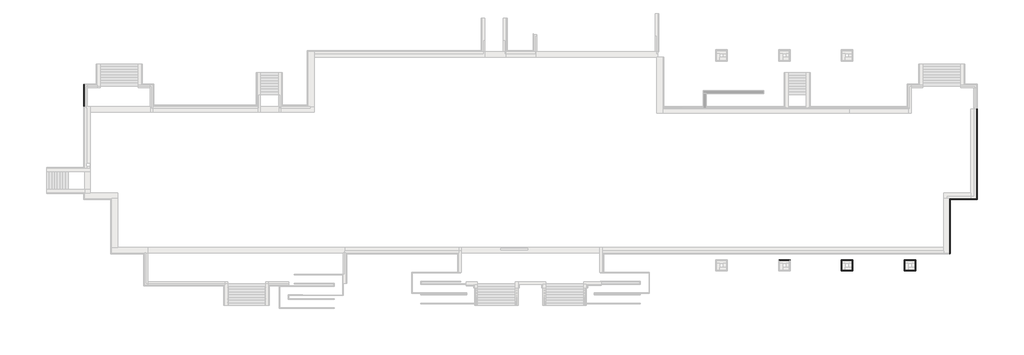
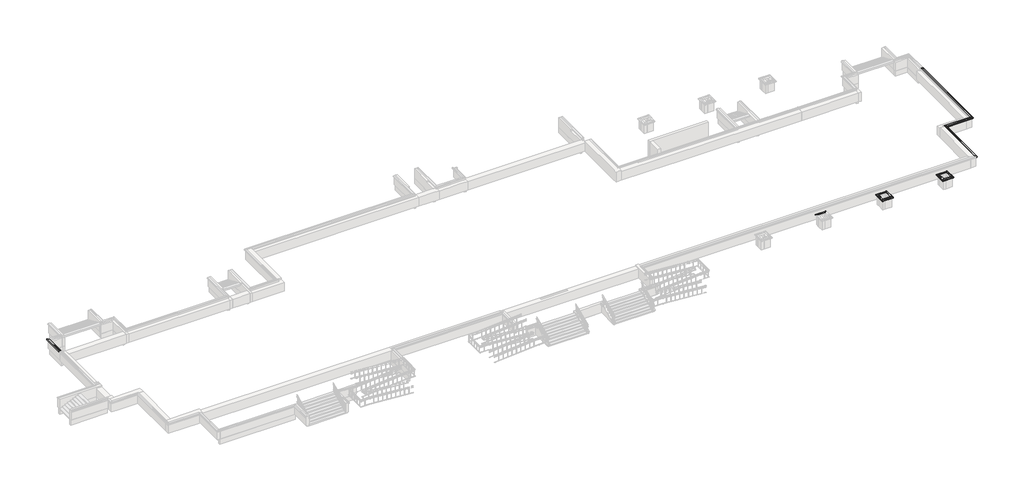
# One storey, part 7 of 10: 13 proxies.
"""IFC4 building model written with IfcOpenShell, lengths in millimetres."""

from ifc_helpers import new_model, si_unit, frame, origin, place, context, project, spatial, polyline, circle_curve, ellipse_curve, element, save
from ifc_brep_helpers import plane_surface, revolved_surface, advanced_brep

model = new_model("IFC4")

# Units and contexts
model_context = context("Model", 3, world=origin())
ifc_project = project(units=[si_unit("LENGTHUNIT", "METRE", prefix="MILLI")], contexts=[model_context])

# Site, building, storey
site = spatial("IfcSite", under=ifc_project)
building = spatial("IfcBuilding", under=site)
storey = spatial("IfcBuildingStorey", under=building, Elevation=-1200.0)

# Proxies
placement = place(None, origin())
element("IfcBuildingElementProxy", 1, Name="Wall Sweeps", at=placement, inside=storey, context=model_context, shape_type="AdvancedBrep", body=[
    advanced_brep(
    [(49935.0112841, 698.1079487, -15.0), (49935.0112841, 698.1079487, -85.0), (49870.0112841, 698.1079487, -150.0), (49820.0112841, 698.1079487, -150.0), (49820.0112841, 698.1079487, 0.0), (49720.0112841, 698.1079487, 0.0), (49720.0112841, 698.1079487, 30.51349), (49870.0112841, 698.1079487, 30.51349), (49935.0112841, -9231.8920513, -15.0), (49870.0112841, -9166.8920513, 30.51349), (49720.0112841, -9016.8920513, 30.51349), (49720.0112841, -9016.8920513, 0.0), (49820.0112841, -9116.8920513, 0.0), (49820.0112841, -9116.8920513, -150.0), (49870.0112841, -9166.8920513, -150.0), (49935.0112841, -9231.8920513, -85.0), (49720.0112841, 318.1079487, 0.0)],
    [
        (0, 1),
        (1, 2, circle_curve(frame((49935.0112841, 698.1079487, -150.0), z_axis=(0.0, -1.0, 0.0), x_axis=(1.0, 0.0, 0.0)), 65.0)),
        (2, 3),
        (3, 4),
        (4, 5),
        (5, 6),
        (6, 7),
        (7, 0),
        (8, 9),
        (9, 10),
        (10, 11),
        (11, 12),
        (12, 13),
        (13, 14),
        (14, 15, ellipse_curve(frame((49935.0112841, -9231.8920513, -150.0), z_axis=(0.707106781186544, 0.7071067811865511, 0.0), x_axis=(0.7071067811865512, -0.7071067811865439, 0.0)), 91.9238816, 65.0)),
        (15, 8),
        (0, 8),
        (15, 1),
        (14, 2),
        (13, 3),
        (12, 4),
        (11, 16),
        (16, 5),
        (10, 6),
        (9, 7),
    ],
    [
        plane_surface(frame((49661.8974011, 698.1079487, 0.0), z_axis=(0.0, 1.0, 0.0), x_axis=(0.0, 0.0, -1.0))),
        plane_surface(frame((49820.0112841, -9116.8920513, 304.8), z_axis=(-0.707106781186544, -0.7071067811865511, 0.0), x_axis=(-0.7071067811865511, 0.707106781186544, 0.0))),
        plane_surface(frame((49935.0112841, 698.1079487, -15.0), z_axis=(1.0, 0.0, 0.0), x_axis=(0.0, -1.0, 0.0))),
        revolved_surface(polyline([(50000.0112841, -9296.892051332348, -150.0), (50000.0112841, 698.1079487, -150.0)]), (49935.0112841, 698.1079487, -150.0), (0.0, -1.0, 0.0)),
        plane_surface(frame((49870.0112841, 698.1079487, -150.0), z_axis=(0.0, 0.0, -1.0), x_axis=(0.0, -1.0, 0.0))),
        plane_surface(frame((49820.0112841, 698.1079487, -150.0), z_axis=(-1.0, 0.0, 0.0), x_axis=(0.0, -1.0, 0.0))),
        plane_surface(frame((49820.0112841, 698.1079487, 0.0), z_axis=(0.0, 0.0, -1.0), x_axis=(0.0, -1.0, 0.0))),
        plane_surface(frame((49720.0112841, 698.1079487, 0.0), z_axis=(-1.0, 0.0, 0.0), x_axis=(0.0, -1.0, 0.0))),
        plane_surface(frame((49720.0112841, 698.1079487, 30.51349), z_axis=(0.0, 0.0, 1.0), x_axis=(0.0, -1.0, 0.0))),
        plane_surface(frame((49870.0112841, 698.1079487, 30.51349), z_axis=(0.5735764363510482, 0.0, 0.8191520442889904), x_axis=(0.0, -1.0, 0.0))),
    ],
    [
        (0, [[1, 2, 3, 4, 5, 6, 7, 8]]),
        (1, [[9, 10, 11, 12, 13, 14, 15, 16]]),
        (2, [[-1, 17, -16, 18]]),
        (3, [[-2, -18, -15, 19]]),
        (4, [[-3, -19, -14, 20]]),
        (5, [[-4, -20, -13, 21]]),
        (6, [[-5, -21, -12, 22, 23]]),
        (7, [[-6, -23, -22, -11, 24]]),
        (8, [[-7, -24, -10, 25]]),
        (9, [[-8, -25, -9, -17]]),
    ],
),
])
element("IfcBuildingElementProxy", 2, Name="Wall Sweeps", at=placement, inside=storey, context=model_context, shape_type="AdvancedBrep", body=[
    advanced_brep(
    [(49935.0112841, -9231.8920513, -15.0), (49935.0112841, -9231.8920513, -85.0), (49870.0112841, -9166.8920513, -150.0), (49820.0112841, -9116.8920513, -150.0), (49820.0112841, -9116.8920513, 0.0), (49720.0112841, -9016.8920513, 0.0), (49720.0112841, -9016.8920513, 30.51349), (49870.0112841, -9166.8920513, 30.51349), (46935.0112841, -9231.8920513, -15.0), (46870.0112841, -9166.8920513, 30.51349), (46720.0112841, -9016.8920513, 30.51349), (46720.0112841, -9016.8920513, 0.0), (46820.0112841, -9116.8920513, 0.0), (46820.0112841, -9116.8920513, -150.0), (46870.0112841, -9166.8920513, -150.0), (46935.0112841, -9231.8920513, -85.0), (49210.0112841, -9116.8920513, 0.0), (49210.0112841, -9016.8920513, 0.0)],
    [
        (0, 1),
        (1, 2, ellipse_curve(frame((49935.0112841, -9231.8920513, -150.0), z_axis=(-0.707106781186544, -0.7071067811865511, 0.0), x_axis=(-0.707106781186551, 0.707106781186544, 0.0)), 91.9238816, 65.0)),
        (2, 3),
        (3, 4),
        (4, 5),
        (5, 6),
        (6, 7),
        (7, 0),
        (8, 9),
        (9, 10),
        (10, 11),
        (11, 12),
        (12, 13),
        (13, 14),
        (14, 15, ellipse_curve(frame((46935.0112841, -9231.8920513, -150.0), z_axis=(0.707106781186544, 0.7071067811865511, 0.0), x_axis=(-0.707106781186551, 0.707106781186544, 0.0)), 91.9238816, 65.0)),
        (15, 8),
        (0, 8),
        (15, 1),
        (14, 2),
        (13, 3),
        (12, 16),
        (16, 4),
        (11, 17),
        (17, 5),
        (10, 6),
        (9, 7),
    ],
    [
        plane_surface(frame((49820.0112841, -9116.8920513, 304.8), z_axis=(0.707106781186544, 0.7071067811865511, 0.0), x_axis=(-0.7071067811865511, 0.707106781186544, 0.0))),
        plane_surface(frame((46820.0112841, -9116.8920513, -304.8), z_axis=(-0.707106781186544, -0.7071067811865511, 0.0), x_axis=(0.7071067811865511, -0.707106781186544, 0.0))),
        plane_surface(frame((49935.0112841, -9231.8920513, -15.0), z_axis=(0.0, -1.0, 0.0), x_axis=(-1.0, 0.0, 0.0))),
        revolved_surface(polyline([(46870.01128406765, -9296.8920513, -150.0), (50000.01128413235, -9296.8920513, -150.0)]), (49820.0112841, -9231.8920513, -150.0), (-1.0, 0.0, 0.0)),
        plane_surface(frame((49870.0112841, -9166.8920513, -150.0), z_axis=(0.0, 0.0, -1.0), x_axis=(-1.0, 0.0, 0.0))),
        plane_surface(frame((49820.0112841, -9116.8920513, -150.0), z_axis=(0.0, 1.0, 0.0), x_axis=(-1.0, 0.0, 0.0))),
        plane_surface(frame((49820.0112841, -9116.8920513, 0.0), z_axis=(0.0, 0.0, -1.0), x_axis=(-1.0, 0.0, 0.0))),
        plane_surface(frame((49720.0112841, -9016.8920513, 0.0), z_axis=(0.0, 1.0, 0.0), x_axis=(-1.0, 0.0, 0.0))),
        plane_surface(frame((49720.0112841, -9016.8920513, 30.51349), z_axis=(0.0, 0.0, 1.0), x_axis=(-1.0, 0.0, 0.0))),
        plane_surface(frame((49870.0112841, -9166.8920513, 30.51349), z_axis=(0.0, -0.5735764363510482, 0.8191520442889904), x_axis=(-1.0, 0.0, 0.0))),
    ],
    [
        (0, [[1, 2, 3, 4, 5, 6, 7, 8]]),
        (1, [[9, 10, 11, 12, 13, 14, 15, 16]]),
        (2, [[-1, 17, -16, 18]]),
        (3, [[-2, -18, -15, 19]]),
        (4, [[-3, -19, -14, 20]]),
        (5, [[-4, -20, -13, 21, 22]]),
        (6, [[-5, -22, -21, -12, 23, 24]]),
        (7, [[-6, -24, -23, -11, 25]]),
        (8, [[-7, -25, -10, 26]]),
        (9, [[-8, -26, -9, -17]]),
    ],
),
])
element("IfcBuildingElementProxy", 3, Name="Wall Sweeps", at=placement, inside=storey, context=model_context, shape_type="AdvancedBrep", body=[
    advanced_brep(
    [(46935.0112841, -9231.8920513, -15.0), (46935.0112841, -9231.8920513, -85.0), (46870.0112841, -9166.8920513, -150.0), (46820.0112841, -9116.8920513, -150.0), (46820.0112841, -9116.8920513, 0.0), (46720.0112841, -9016.8920513, 0.0), (46720.0112841, -9016.8920513, 30.51349), (46870.0112841, -9166.8920513, 30.51349), (46935.0112841, -15231.8920513, -15.0), (46870.0112841, -15166.8920513, 30.51349), (46720.0112841, -15016.8920513, 30.51349), (46720.0112841, -15016.8920513, 0.0), (46820.0112841, -15116.8920513, 0.0), (46820.0112841, -15116.8920513, -150.0), (46870.0112841, -15166.8920513, -150.0), (46935.0112841, -15231.8920513, -85.0)],
    [
        (0, 1),
        (1, 2, ellipse_curve(frame((46935.0112841, -9231.8920513, -150.0), z_axis=(-0.707106781186544, -0.7071067811865511, 0.0), x_axis=(0.7071067811865512, -0.7071067811865438, 0.0)), 91.9238816, 65.0)),
        (2, 3),
        (3, 4),
        (4, 5),
        (5, 6),
        (6, 7),
        (7, 0),
        (8, 9),
        (9, 10),
        (10, 11),
        (11, 12),
        (12, 13),
        (13, 14),
        (14, 15, ellipse_curve(frame((46935.0112841, -15231.8920513, -150.0), z_axis=(0.707106781186544, 0.7071067811865511, 0.0), x_axis=(0.7071067811865512, -0.7071067811865438, 0.0)), 91.9238816, 65.0)),
        (15, 8),
        (0, 8),
        (15, 1),
        (14, 2),
        (13, 3),
        (12, 4),
        (11, 5),
        (10, 6),
        (9, 7),
    ],
    [
        plane_surface(frame((46820.0112841, -9116.8920513, -304.8), z_axis=(0.707106781186544, 0.7071067811865511, 0.0), x_axis=(0.7071067811865511, -0.707106781186544, 0.0))),
        plane_surface(frame((46820.0112841, -15116.8920513, 304.8), z_axis=(-0.707106781186544, -0.7071067811865511, 0.0), x_axis=(-0.7071067811865511, 0.707106781186544, 0.0))),
        plane_surface(frame((46935.0112841, -9231.8920513, -15.0), z_axis=(1.0, 0.0, 0.0), x_axis=(0.0, -1.0, 0.0))),
        revolved_surface(polyline([(47000.0112841, -15296.892051332348, -150.0), (47000.0112841, -9166.89205126765, -150.0)]), (46935.0112841, -9116.8920513, -150.0), (0.0, -1.0, 0.0)),
        plane_surface(frame((46870.0112841, -9166.8920513, -150.0), z_axis=(0.0, 0.0, -1.0), x_axis=(0.0, -1.0, 0.0))),
        plane_surface(frame((46820.0112841, -9116.8920513, -150.0), z_axis=(-1.0, 0.0, 0.0), x_axis=(0.0, -1.0, 0.0))),
        plane_surface(frame((46820.0112841, -9116.8920513, 0.0), z_axis=(0.0, 0.0, -1.0), x_axis=(0.0, -1.0, 0.0))),
        plane_surface(frame((46720.0112841, -9016.8920513, 0.0), z_axis=(-1.0, 0.0, 0.0), x_axis=(0.0, -1.0, 0.0))),
        plane_surface(frame((46720.0112841, -9016.8920513, 30.51349), z_axis=(0.0, 0.0, 1.0), x_axis=(0.0, -1.0, 0.0))),
        plane_surface(frame((46870.0112841, -9166.8920513, 30.51349), z_axis=(0.5735764363510482, 0.0, 0.8191520442889904), x_axis=(0.0, -1.0, 0.0))),
    ],
    [
        (0, [[1, 2, 3, 4, 5, 6, 7, 8]]),
        (1, [[9, 10, 11, 12, 13, 14, 15, 16]]),
        (2, [[-1, 17, -16, 18]]),
        (3, [[-2, -18, -15, 19]]),
        (4, [[-3, -19, -14, 20]]),
        (5, [[-4, -20, -13, 21]]),
        (6, [[-5, -21, -12, 22]]),
        (7, [[-6, -22, -11, 23]]),
        (8, [[-7, -23, -10, 24]]),
        (9, [[-8, -24, -9, -17]]),
    ],
),
])
element("IfcBuildingElementProxy", 4, Name="Wall Sweeps", at=placement, inside=storey, context=model_context, shape_type="AdvancedBrep", body=[
    advanced_brep(
    [(28085.0112841, -15881.8920513, -15.0), (28085.0112841, -15881.8920513, -85.0), (28150.0112841, -15946.8920513, -150.0), (28200.0112841, -15996.8920513, -150.0), (28200.0112841, -15996.8920513, 0.0), (28300.0112841, -16096.8920513, 0.0), (28300.0112841, -16096.8920513, 30.51349), (28150.0112841, -15946.8920513, 30.51349), (29335.0112841, -15881.8920513, -15.0), (29270.0112841, -15946.8920513, 30.51349), (29120.0112841, -16096.8920513, 30.51349), (29120.0112841, -16096.8920513, 0.0), (29220.0112841, -15996.8920513, 0.0), (29220.0112841, -15996.8920513, -150.0), (29270.0112841, -15946.8920513, -150.0), (29335.0112841, -15881.8920513, -85.0)],
    [
        (0, 1),
        (1, 2, ellipse_curve(frame((28085.0112841, -15881.8920513, -150.0), z_axis=(0.707106781186544, 0.7071067811865511, 0.0), x_axis=(0.707106781186551, -0.7071067811865439, 0.0)), 91.9238816, 65.0)),
        (2, 3),
        (3, 4),
        (4, 5),
        (5, 6),
        (6, 7),
        (7, 0),
        (8, 9),
        (9, 10),
        (10, 11),
        (11, 12),
        (12, 13),
        (13, 14),
        (14, 15, ellipse_curve(frame((29335.0112841, -15881.8920513, -150.0), z_axis=(-0.707106781186544, 0.7071067811865511, 0.0), x_axis=(0.7071067811865509, 0.707106781186544, 0.0)), 91.9238816, 65.0)),
        (15, 8),
        (0, 8),
        (15, 1),
        (14, 2),
        (13, 3),
        (12, 4),
        (11, 5),
        (10, 6),
        (9, 7),
    ],
    [
        plane_surface(frame((28200.0112841, -15996.8920513, 304.8), z_axis=(-0.707106781186544, -0.7071067811865511, 0.0), x_axis=(0.7071067811865511, -0.707106781186544, 0.0))),
        plane_surface(frame((29220.0112841, -15996.8920513, 304.8), z_axis=(0.707106781186544, -0.7071067811865511, 0.0), x_axis=(-0.7071067811865511, -0.707106781186544, 0.0))),
        plane_surface(frame((28085.0112841, -15881.8920513, -15.0), z_axis=(0.0, 1.0, 0.0), x_axis=(1.0, 0.0, 0.0))),
        revolved_surface(polyline([(29400.01128413235, -15816.8920513, -150.0), (28020.011284067652, -15816.8920513, -150.0)]), (28200.0112841, -15881.8920513, -150.0), (1.0, 0.0, 0.0)),
        plane_surface(frame((28150.0112841, -15946.8920513, -150.0), z_axis=(0.0, 0.0, -1.0), x_axis=(1.0, 0.0, 0.0))),
        plane_surface(frame((28200.0112841, -15996.8920513, -150.0), z_axis=(0.0, -1.0, 0.0), x_axis=(1.0, 0.0, 0.0))),
        plane_surface(frame((28200.0112841, -15996.8920513, 0.0), z_axis=(0.0, 0.0, -1.0), x_axis=(1.0, 0.0, 0.0))),
        plane_surface(frame((28300.0112841, -16096.8920513, 0.0), z_axis=(0.0, -1.0, 0.0), x_axis=(1.0, 0.0, 0.0))),
        plane_surface(frame((28300.0112841, -16096.8920513, 30.51349), z_axis=(0.0, 0.0, 1.0), x_axis=(1.0, 0.0, 0.0))),
        plane_surface(frame((28150.0112841, -15946.8920513, 30.51349), z_axis=(0.0, 0.5735764363510482, 0.8191520442889904), x_axis=(1.0, 0.0, 0.0))),
    ],
    [
        (0, [[1, 2, 3, 4, 5, 6, 7, 8]]),
        (1, [[9, 10, 11, 12, 13, 14, 15, 16]]),
        (2, [[-1, 17, -16, 18]]),
        (3, [[-2, -18, -15, 19]]),
        (4, [[-3, -19, -14, 20]]),
        (5, [[-4, -20, -13, 21]]),
        (6, [[-5, -21, -12, 22]]),
        (7, [[-6, -22, -11, 23]]),
        (8, [[-7, -23, -10, 24]]),
        (9, [[-8, -24, -9, -17]]),
    ],
),
])
element("IfcBuildingElementProxy", 5, Name="Wall Sweeps", at=placement, inside=storey, context=model_context, shape_type="AdvancedBrep", body=[
    advanced_brep(
    [(34985.0112841, -15881.8920513, -15.0), (34985.0112841, -15881.8920513, -85.0), (35050.0112841, -15946.8920513, -150.0), (35100.0112841, -15996.8920513, -150.0), (35100.0112841, -15996.8920513, 0.0), (35200.0112841, -16096.8920513, 0.0), (35200.0112841, -16096.8920513, 30.51349), (35050.0112841, -15946.8920513, 30.51349), (36235.0112841, -15881.8920513, -15.0), (36170.0112841, -15946.8920513, 30.51349), (36020.0112841, -16096.8920513, 30.51349), (36020.0112841, -16096.8920513, 0.0), (36120.0112841, -15996.8920513, 0.0), (36120.0112841, -15996.8920513, -150.0), (36170.0112841, -15946.8920513, -150.0), (36235.0112841, -15881.8920513, -85.0)],
    [
        (0, 1),
        (1, 2, ellipse_curve(frame((34985.0112841, -15881.8920513, -150.0), z_axis=(0.707106781186544, 0.7071067811865511, 0.0), x_axis=(0.707106781186551, -0.7071067811865439, 0.0)), 91.9238816, 65.0)),
        (2, 3),
        (3, 4),
        (4, 5),
        (5, 6),
        (6, 7),
        (7, 0),
        (8, 9),
        (9, 10),
        (10, 11),
        (11, 12),
        (12, 13),
        (13, 14),
        (14, 15, ellipse_curve(frame((36235.0112841, -15881.8920513, -150.0), z_axis=(-0.707106781186544, 0.7071067811865511, 0.0), x_axis=(0.7071067811865509, 0.707106781186544, 0.0)), 91.9238816, 65.0)),
        (15, 8),
        (0, 8),
        (15, 1),
        (14, 2),
        (13, 3),
        (12, 4),
        (11, 5),
        (10, 6),
        (9, 7),
    ],
    [
        plane_surface(frame((35100.0112841, -15996.8920513, 304.8), z_axis=(-0.707106781186544, -0.7071067811865511, 0.0), x_axis=(0.7071067811865511, -0.707106781186544, 0.0))),
        plane_surface(frame((36120.0112841, -15996.8920513, 304.8), z_axis=(0.707106781186544, -0.7071067811865511, 0.0), x_axis=(-0.7071067811865511, -0.707106781186544, 0.0))),
        plane_surface(frame((34985.0112841, -15881.8920513, -15.0), z_axis=(0.0, 1.0, 0.0), x_axis=(1.0, 0.0, 0.0))),
        revolved_surface(polyline([(36300.01128413235, -15816.8920513, -150.0), (34920.01128406765, -15816.8920513, -150.0)]), (35100.0112841, -15881.8920513, -150.0), (1.0, 0.0, 0.0)),
        plane_surface(frame((35050.0112841, -15946.8920513, -150.0), z_axis=(0.0, 0.0, -1.0), x_axis=(1.0, 0.0, 0.0))),
        plane_surface(frame((35100.0112841, -15996.8920513, -150.0), z_axis=(0.0, -1.0, 0.0), x_axis=(1.0, 0.0, 0.0))),
        plane_surface(frame((35100.0112841, -15996.8920513, 0.0), z_axis=(0.0, 0.0, -1.0), x_axis=(1.0, 0.0, 0.0))),
        plane_surface(frame((35200.0112841, -16096.8920513, 0.0), z_axis=(0.0, -1.0, 0.0), x_axis=(1.0, 0.0, 0.0))),
        plane_surface(frame((35200.0112841, -16096.8920513, 30.51349), z_axis=(0.0, 0.0, 1.0), x_axis=(1.0, 0.0, 0.0))),
        plane_surface(frame((35050.0112841, -15946.8920513, 30.51349), z_axis=(0.0, 0.5735764363510482, 0.8191520442889904), x_axis=(1.0, 0.0, 0.0))),
    ],
    [
        (0, [[1, 2, 3, 4, 5, 6, 7, 8]]),
        (1, [[9, 10, 11, 12, 13, 14, 15, 16]]),
        (2, [[-1, 17, -16, 18]]),
        (3, [[-2, -18, -15, 19]]),
        (4, [[-3, -19, -14, 20]]),
        (5, [[-4, -20, -13, 21]]),
        (6, [[-5, -21, -12, 22]]),
        (7, [[-6, -22, -11, 23]]),
        (8, [[-7, -23, -10, 24]]),
        (9, [[-8, -24, -9, -17]]),
    ],
),
])
element("IfcBuildingElementProxy", 6, Name="Wall Sweeps", at=placement, inside=storey, context=model_context, shape_type="AdvancedBrep", body=[
    advanced_brep(
    [(34985.0112841, -15881.8920513, -15.0), (35050.0112841, -15946.8920513, 30.51349), (35200.0112841, -16096.8920513, 30.51349), (35200.0112841, -16096.8920513, 0.0), (35100.0112841, -15996.8920513, 0.0), (35100.0112841, -15996.8920513, -150.0), (35050.0112841, -15946.8920513, -150.0), (34985.0112841, -15881.8920513, -85.0), (34985.0112841, -17131.8920513, -15.0), (34985.0112841, -17131.8920513, -85.0), (35050.0112841, -17066.8920513, -150.0), (35100.0112841, -17016.8920513, -150.0), (35100.0112841, -17016.8920513, 0.0), (35200.0112841, -16916.8920513, 0.0), (35200.0112841, -16916.8920513, 30.51349), (35050.0112841, -17066.8920513, 30.51349), (35100.0112841, -16306.8920513, 0.0)],
    [
        (0, 1),
        (1, 2),
        (2, 3),
        (3, 4),
        (4, 5),
        (5, 6),
        (6, 7, ellipse_curve(frame((34985.0112841, -15881.8920513, -150.0), z_axis=(-0.707106781186544, -0.7071067811865511, 0.0), x_axis=(0.7071067811865511, -0.7071067811865439, 0.0)), 91.9238816, 65.0)),
        (7, 0),
        (8, 9),
        (9, 10, ellipse_curve(frame((34985.0112841, -17131.8920513, -150.0), z_axis=(-0.707106781186544, 0.7071067811865511, 0.0), x_axis=(-0.7071067811865511, -0.7071067811865439, 0.0)), 91.9238816, 65.0)),
        (10, 11),
        (11, 12),
        (12, 13),
        (13, 14),
        (14, 15),
        (15, 8),
        (7, 9),
        (8, 0),
        (6, 10),
        (5, 11),
        (4, 16),
        (16, 12),
        (3, 13),
        (2, 14),
        (1, 15),
    ],
    [
        plane_surface(frame((35100.0112841, -15996.8920513, -304.8), z_axis=(0.707106781186544, 0.7071067811865511, 0.0), x_axis=(0.7071067811865511, -0.707106781186544, 0.0))),
        plane_surface(frame((35100.0112841, -17016.8920513, -304.8), z_axis=(0.707106781186544, -0.7071067811865511, 0.0), x_axis=(0.7071067811865511, 0.707106781186544, 0.0))),
        plane_surface(frame((34985.0112841, -15881.8920513, -85.0), z_axis=(-1.0, 0.0, 0.0), x_axis=(0.0, -1.0, 0.0))),
        revolved_surface(polyline([(34920.0112841, -17196.89205133235, -150.0), (34920.0112841, -15816.89205126765, -150.0)]), (34985.0112841, -15996.8920513, -150.0), (0.0, -1.0, 0.0)),
        plane_surface(frame((35100.0112841, -15996.8920513, -150.0), z_axis=(0.0, 0.0, -1.0), x_axis=(0.0, -1.0, 0.0))),
        plane_surface(frame((35100.0112841, -15996.8920513, 0.0), z_axis=(1.0, 0.0, 0.0), x_axis=(0.0, -1.0, 0.0))),
        plane_surface(frame((35200.0112841, -16096.8920513, 0.0), z_axis=(0.0, 0.0, -1.0), x_axis=(0.0, -1.0, 0.0))),
        plane_surface(frame((35200.0112841, -16096.8920513, 30.51349), z_axis=(1.0, 0.0, 0.0), x_axis=(0.0, -1.0, 0.0))),
        plane_surface(frame((35050.0112841, -15946.8920513, 30.51349), z_axis=(0.0, 0.0, 1.0), x_axis=(0.0, -1.0, 0.0))),
        plane_surface(frame((34985.0112841, -15881.8920513, -15.0), z_axis=(-0.5735764363510482, 0.0, 0.8191520442889904), x_axis=(0.0, -1.0, 0.0))),
    ],
    [
        (0, [[1, 2, 3, 4, 5, 6, 7, 8]]),
        (1, [[9, 10, 11, 12, 13, 14, 15, 16]]),
        (2, [[-8, 17, -9, 18]]),
        (3, [[-7, 19, -10, -17]]),
        (4, [[-6, 20, -11, -19]]),
        (5, [[-5, 21, 22, -12, -20]]),
        (6, [[-4, 23, -13, -22, -21]]),
        (7, [[-3, 24, -14, -23]]),
        (8, [[-2, 25, -15, -24]]),
        (9, [[-1, -18, -16, -25]]),
    ],
),
])
element("IfcBuildingElementProxy", 7, Name="Wall Sweeps", at=placement, inside=storey, context=model_context, shape_type="AdvancedBrep", body=[
    advanced_brep(
    [(36235.0112841, -17131.8920513, -15.0), (36235.0112841, -17131.8920513, -85.0), (36170.0112841, -17066.8920513, -150.0), (36120.0112841, -17016.8920513, -150.0), (36120.0112841, -17016.8920513, 0.0), (36020.0112841, -16916.8920513, 0.0), (36020.0112841, -16916.8920513, 30.51349), (36170.0112841, -17066.8920513, 30.51349), (34985.0112841, -17131.8920513, -15.0), (35050.0112841, -17066.8920513, 30.51349), (35200.0112841, -16916.8920513, 30.51349), (35200.0112841, -16916.8920513, 0.0), (35100.0112841, -17016.8920513, 0.0), (35100.0112841, -17016.8920513, -150.0), (35050.0112841, -17066.8920513, -150.0), (34985.0112841, -17131.8920513, -85.0), (35410.0112841, -17016.8920513, 0.0)],
    [
        (0, 1),
        (1, 2, ellipse_curve(frame((36235.0112841, -17131.8920513, -150.0), z_axis=(-0.707106781186544, -0.7071067811865511, 0.0), x_axis=(-0.707106781186551, 0.7071067811865439, 0.0)), 91.9238816, 65.0)),
        (2, 3),
        (3, 4),
        (4, 5),
        (5, 6),
        (6, 7),
        (7, 0),
        (8, 9),
        (9, 10),
        (10, 11),
        (11, 12),
        (12, 13),
        (13, 14),
        (14, 15, ellipse_curve(frame((34985.0112841, -17131.8920513, -150.0), z_axis=(0.707106781186544, -0.7071067811865511, 0.0), x_axis=(-0.7071067811865509, -0.707106781186544, 0.0)), 91.9238816, 65.0)),
        (15, 8),
        (0, 8),
        (15, 1),
        (14, 2),
        (13, 3),
        (12, 16),
        (16, 4),
        (11, 5),
        (10, 6),
        (9, 7),
    ],
    [
        plane_surface(frame((36120.0112841, -17016.8920513, 304.8), z_axis=(0.707106781186544, 0.7071067811865511, 0.0), x_axis=(-0.7071067811865511, 0.707106781186544, 0.0))),
        plane_surface(frame((35100.0112841, -17016.8920513, 304.8), z_axis=(-0.707106781186544, 0.7071067811865511, 0.0), x_axis=(0.7071067811865511, 0.707106781186544, 0.0))),
        plane_surface(frame((36235.0112841, -17131.8920513, -15.0), z_axis=(0.0, -1.0, 0.0), x_axis=(-1.0, 0.0, 0.0))),
        revolved_surface(polyline([(34920.01128406765, -17196.8920513, -150.0), (36300.01128413235, -17196.8920513, -150.0)]), (36120.0112841, -17131.8920513, -150.0), (-1.0, 0.0, 0.0)),
        plane_surface(frame((36170.0112841, -17066.8920513, -150.0), z_axis=(0.0, 0.0, -1.0), x_axis=(-1.0, 0.0, 0.0))),
        plane_surface(frame((36120.0112841, -17016.8920513, -150.0), z_axis=(0.0, 1.0, 0.0), x_axis=(-1.0, 0.0, 0.0))),
        plane_surface(frame((36120.0112841, -17016.8920513, 0.0), z_axis=(0.0, 0.0, -1.0), x_axis=(-1.0, 0.0, 0.0))),
        plane_surface(frame((36020.0112841, -16916.8920513, 0.0), z_axis=(0.0, 1.0, 0.0), x_axis=(-1.0, 0.0, 0.0))),
        plane_surface(frame((36020.0112841, -16916.8920513, 30.51349), z_axis=(0.0, 0.0, 1.0), x_axis=(-1.0, 0.0, 0.0))),
        plane_surface(frame((36170.0112841, -17066.8920513, 30.51349), z_axis=(0.0, -0.5735764363510482, 0.8191520442889904), x_axis=(-1.0, 0.0, 0.0))),
    ],
    [
        (0, [[1, 2, 3, 4, 5, 6, 7, 8]]),
        (1, [[9, 10, 11, 12, 13, 14, 15, 16]]),
        (2, [[-1, 17, -16, 18]]),
        (3, [[-2, -18, -15, 19]]),
        (4, [[-3, -19, -14, 20]]),
        (5, [[-4, -20, -13, 21, 22]]),
        (6, [[-5, -22, -21, -12, 23]]),
        (7, [[-6, -23, -11, 24]]),
        (8, [[-7, -24, -10, 25]]),
        (9, [[-8, -25, -9, -17]]),
    ],
),
])
element("IfcBuildingElementProxy", 8, Name="Wall Sweeps", at=placement, inside=storey, context=model_context, shape_type="AdvancedBrep", body=[
    advanced_brep(
    [(36235.0112841, -15881.8920513, -15.0), (36235.0112841, -15881.8920513, -85.0), (36170.0112841, -15946.8920513, -150.0), (36120.0112841, -15996.8920513, -150.0), (36120.0112841, -15996.8920513, 0.0), (36020.0112841, -16096.8920513, 0.0), (36020.0112841, -16096.8920513, 30.51349), (36170.0112841, -15946.8920513, 30.51349), (36235.0112841, -17131.8920513, -15.0), (36170.0112841, -17066.8920513, 30.51349), (36020.0112841, -16916.8920513, 30.51349), (36020.0112841, -16916.8920513, 0.0), (36120.0112841, -17016.8920513, 0.0), (36120.0112841, -17016.8920513, -150.0), (36170.0112841, -17066.8920513, -150.0), (36235.0112841, -17131.8920513, -85.0), (36120.0112841, -16706.8920513, 0.0), (36120.0112841, -16306.8920513, 0.0)],
    [
        (0, 1),
        (1, 2, ellipse_curve(frame((36235.0112841, -15881.8920513, -150.0), z_axis=(0.707106781186544, -0.7071067811865511, 0.0), x_axis=(-0.7071067811865511, -0.7071067811865439, 0.0)), 91.9238816, 65.0)),
        (2, 3),
        (3, 4),
        (4, 5),
        (5, 6),
        (6, 7),
        (7, 0),
        (8, 9),
        (9, 10),
        (10, 11),
        (11, 12),
        (12, 13),
        (13, 14),
        (14, 15, ellipse_curve(frame((36235.0112841, -17131.8920513, -150.0), z_axis=(0.707106781186544, 0.7071067811865511, 0.0), x_axis=(0.7071067811865511, -0.7071067811865439, 0.0)), 91.9238816, 65.0)),
        (15, 8),
        (0, 8),
        (15, 1),
        (14, 2),
        (13, 3),
        (12, 16),
        (16, 17),
        (17, 4),
        (11, 5),
        (10, 6),
        (9, 7),
    ],
    [
        plane_surface(frame((36120.0112841, -15996.8920513, 304.8), z_axis=(-0.707106781186544, 0.7071067811865511, 0.0), x_axis=(-0.7071067811865511, -0.707106781186544, 0.0))),
        plane_surface(frame((36120.0112841, -17016.8920513, 304.8), z_axis=(-0.707106781186544, -0.7071067811865511, 0.0), x_axis=(-0.7071067811865511, 0.707106781186544, 0.0))),
        plane_surface(frame((36235.0112841, -15881.8920513, -15.0), z_axis=(1.0, 0.0, 0.0), x_axis=(0.0, -1.0, 0.0))),
        revolved_surface(polyline([(36300.0112841, -17196.89205133235, -150.0), (36300.0112841, -15816.89205126765, -150.0)]), (36235.0112841, -15996.8920513, -150.0), (0.0, -1.0, 0.0)),
        plane_surface(frame((36170.0112841, -15946.8920513, -150.0), z_axis=(0.0, 0.0, -1.0), x_axis=(0.0, -1.0, 0.0))),
        plane_surface(frame((36120.0112841, -15996.8920513, -150.0), z_axis=(-1.0, 0.0, 0.0), x_axis=(0.0, -1.0, 0.0))),
        plane_surface(frame((36120.0112841, -15996.8920513, 0.0), z_axis=(0.0, 0.0, -1.0), x_axis=(0.0, -1.0, 0.0))),
        plane_surface(frame((36020.0112841, -16096.8920513, 0.0), z_axis=(-1.0, 0.0, 0.0), x_axis=(0.0, -1.0, 0.0))),
        plane_surface(frame((36020.0112841, -16096.8920513, 30.51349), z_axis=(0.0, 0.0, 1.0), x_axis=(0.0, -1.0, 0.0))),
        plane_surface(frame((36170.0112841, -15946.8920513, 30.51349), z_axis=(0.5735764363510482, 0.0, 0.8191520442889904), x_axis=(0.0, -1.0, 0.0))),
    ],
    [
        (0, [[1, 2, 3, 4, 5, 6, 7, 8]]),
        (1, [[9, 10, 11, 12, 13, 14, 15, 16]]),
        (2, [[-1, 17, -16, 18]]),
        (3, [[-2, -18, -15, 19]]),
        (4, [[-3, -19, -14, 20]]),
        (5, [[-4, -20, -13, 21, 22, 23]]),
        (6, [[-5, -23, -22, -21, -12, 24]]),
        (7, [[-6, -24, -11, 25]]),
        (8, [[-7, -25, -10, 26]]),
        (9, [[-8, -26, -9, -17]]),
    ],
),
])
element("IfcBuildingElementProxy", 9, Name="Wall Sweeps", at=placement, inside=storey, context=model_context, shape_type="AdvancedBrep", body=[
    advanced_brep(
    [(41885.0112841, -15881.8920513, -15.0), (41885.0112841, -15881.8920513, -85.0), (41950.0112841, -15946.8920513, -150.0), (42000.0112841, -15996.8920513, -150.0), (42000.0112841, -15996.8920513, 0.0), (42100.0112841, -16096.8920513, 0.0), (42100.0112841, -16096.8920513, 30.51349), (41950.0112841, -15946.8920513, 30.51349), (43135.0112841, -15881.8920513, -15.0), (43070.0112841, -15946.8920513, 30.51349), (42920.0112841, -16096.8920513, 30.51349), (42920.0112841, -16096.8920513, 0.0), (43020.0112841, -15996.8920513, 0.0), (43020.0112841, -15996.8920513, -150.0), (43070.0112841, -15946.8920513, -150.0), (43135.0112841, -15881.8920513, -85.0)],
    [
        (0, 1),
        (1, 2, ellipse_curve(frame((41885.0112841, -15881.8920513, -150.0), z_axis=(0.707106781186544, 0.7071067811865511, 0.0), x_axis=(0.707106781186551, -0.7071067811865439, 0.0)), 91.9238816, 65.0)),
        (2, 3),
        (3, 4),
        (4, 5),
        (5, 6),
        (6, 7),
        (7, 0),
        (8, 9),
        (9, 10),
        (10, 11),
        (11, 12),
        (12, 13),
        (13, 14),
        (14, 15, ellipse_curve(frame((43135.0112841, -15881.8920513, -150.0), z_axis=(-0.707106781186544, 0.7071067811865511, 0.0), x_axis=(0.7071067811865509, 0.707106781186544, 0.0)), 91.9238816, 65.0)),
        (15, 8),
        (0, 8),
        (15, 1),
        (14, 2),
        (13, 3),
        (12, 4),
        (11, 5),
        (10, 6),
        (9, 7),
    ],
    [
        plane_surface(frame((42000.0112841, -15996.8920513, 304.8), z_axis=(-0.707106781186544, -0.7071067811865511, 0.0), x_axis=(0.7071067811865511, -0.707106781186544, 0.0))),
        plane_surface(frame((43020.0112841, -15996.8920513, 304.8), z_axis=(0.707106781186544, -0.7071067811865511, 0.0), x_axis=(-0.7071067811865511, -0.707106781186544, 0.0))),
        plane_surface(frame((41885.0112841, -15881.8920513, -15.0), z_axis=(0.0, 1.0, 0.0), x_axis=(1.0, 0.0, 0.0))),
        revolved_surface(polyline([(43200.01128413235, -15816.8920513, -150.0), (41820.01128406765, -15816.8920513, -150.0)]), (42000.0112841, -15881.8920513, -150.0), (1.0, 0.0, 0.0)),
        plane_surface(frame((41950.0112841, -15946.8920513, -150.0), z_axis=(0.0, 0.0, -1.0), x_axis=(1.0, 0.0, 0.0))),
        plane_surface(frame((42000.0112841, -15996.8920513, -150.0), z_axis=(0.0, -1.0, 0.0), x_axis=(1.0, 0.0, 0.0))),
        plane_surface(frame((42000.0112841, -15996.8920513, 0.0), z_axis=(0.0, 0.0, -1.0), x_axis=(1.0, 0.0, 0.0))),
        plane_surface(frame((42100.0112841, -16096.8920513, 0.0), z_axis=(0.0, -1.0, 0.0), x_axis=(1.0, 0.0, 0.0))),
        plane_surface(frame((42100.0112841, -16096.8920513, 30.51349), z_axis=(0.0, 0.0, 1.0), x_axis=(1.0, 0.0, 0.0))),
        plane_surface(frame((41950.0112841, -15946.8920513, 30.51349), z_axis=(0.0, 0.5735764363510482, 0.8191520442889904), x_axis=(1.0, 0.0, 0.0))),
    ],
    [
        (0, [[1, 2, 3, 4, 5, 6, 7, 8]]),
        (1, [[9, 10, 11, 12, 13, 14, 15, 16]]),
        (2, [[-1, 17, -16, 18]]),
        (3, [[-2, -18, -15, 19]]),
        (4, [[-3, -19, -14, 20]]),
        (5, [[-4, -20, -13, 21]]),
        (6, [[-5, -21, -12, 22]]),
        (7, [[-6, -22, -11, 23]]),
        (8, [[-7, -23, -10, 24]]),
        (9, [[-8, -24, -9, -17]]),
    ],
),
])
element("IfcBuildingElementProxy", 10, Name="Wall Sweeps", at=placement, inside=storey, context=model_context, shape_type="AdvancedBrep", body=[
    advanced_brep(
    [(41885.0112841, -15881.8920513, -15.0), (41950.0112841, -15946.8920513, 30.51349), (42100.0112841, -16096.8920513, 30.51349), (42100.0112841, -16096.8920513, 0.0), (42000.0112841, -15996.8920513, 0.0), (42000.0112841, -15996.8920513, -150.0), (41950.0112841, -15946.8920513, -150.0), (41885.0112841, -15881.8920513, -85.0), (41885.0112841, -17131.8920513, -15.0), (41885.0112841, -17131.8920513, -85.0), (41950.0112841, -17066.8920513, -150.0), (42000.0112841, -17016.8920513, -150.0), (42000.0112841, -17016.8920513, 0.0), (42100.0112841, -16916.8920513, 0.0), (42100.0112841, -16916.8920513, 30.51349), (41950.0112841, -17066.8920513, 30.51349), (42000.0112841, -16306.8920513, 0.0)],
    [
        (0, 1),
        (1, 2),
        (2, 3),
        (3, 4),
        (4, 5),
        (5, 6),
        (6, 7, ellipse_curve(frame((41885.0112841, -15881.8920513, -150.0), z_axis=(-0.707106781186544, -0.7071067811865511, 0.0), x_axis=(0.7071067811865511, -0.7071067811865439, 0.0)), 91.9238816, 65.0)),
        (7, 0),
        (8, 9),
        (9, 10, ellipse_curve(frame((41885.0112841, -17131.8920513, -150.0), z_axis=(-0.707106781186544, 0.7071067811865511, 0.0), x_axis=(-0.7071067811865511, -0.7071067811865439, 0.0)), 91.9238816, 65.0)),
        (10, 11),
        (11, 12),
        (12, 13),
        (13, 14),
        (14, 15),
        (15, 8),
        (7, 9),
        (8, 0),
        (6, 10),
        (5, 11),
        (4, 16),
        (16, 12),
        (3, 13),
        (2, 14),
        (1, 15),
    ],
    [
        plane_surface(frame((42000.0112841, -15996.8920513, -304.8), z_axis=(0.707106781186544, 0.7071067811865511, 0.0), x_axis=(0.7071067811865511, -0.707106781186544, 0.0))),
        plane_surface(frame((42000.0112841, -17016.8920513, -304.8), z_axis=(0.707106781186544, -0.7071067811865511, 0.0), x_axis=(0.7071067811865511, 0.707106781186544, 0.0))),
        plane_surface(frame((41885.0112841, -15881.8920513, -85.0), z_axis=(-1.0, 0.0, 0.0), x_axis=(0.0, -1.0, 0.0))),
        revolved_surface(polyline([(41820.0112841, -17196.89205133235, -150.0), (41820.0112841, -15816.89205126765, -150.0)]), (41885.0112841, -15996.8920513, -150.0), (0.0, -1.0, 0.0)),
        plane_surface(frame((42000.0112841, -15996.8920513, -150.0), z_axis=(0.0, 0.0, -1.0), x_axis=(0.0, -1.0, 0.0))),
        plane_surface(frame((42000.0112841, -15996.8920513, 0.0), z_axis=(1.0, 0.0, 0.0), x_axis=(0.0, -1.0, 0.0))),
        plane_surface(frame((42100.0112841, -16096.8920513, 0.0), z_axis=(0.0, 0.0, -1.0), x_axis=(0.0, -1.0, 0.0))),
        plane_surface(frame((42100.0112841, -16096.8920513, 30.51349), z_axis=(1.0, 0.0, 0.0), x_axis=(0.0, -1.0, 0.0))),
        plane_surface(frame((41950.0112841, -15946.8920513, 30.51349), z_axis=(0.0, 0.0, 1.0), x_axis=(0.0, -1.0, 0.0))),
        plane_surface(frame((41885.0112841, -15881.8920513, -15.0), z_axis=(-0.5735764363510482, 0.0, 0.8191520442889904), x_axis=(0.0, -1.0, 0.0))),
    ],
    [
        (0, [[1, 2, 3, 4, 5, 6, 7, 8]]),
        (1, [[9, 10, 11, 12, 13, 14, 15, 16]]),
        (2, [[-8, 17, -9, 18]]),
        (3, [[-7, 19, -10, -17]]),
        (4, [[-6, 20, -11, -19]]),
        (5, [[-5, 21, 22, -12, -20]]),
        (6, [[-4, 23, -13, -22, -21]]),
        (7, [[-3, 24, -14, -23]]),
        (8, [[-2, 25, -15, -24]]),
        (9, [[-1, -18, -16, -25]]),
    ],
),
])
element("IfcBuildingElementProxy", 11, Name="Wall Sweeps", at=placement, inside=storey, context=model_context, shape_type="AdvancedBrep", body=[
    advanced_brep(
    [(43135.0112841, -17131.8920513, -15.0), (43135.0112841, -17131.8920513, -85.0), (43070.0112841, -17066.8920513, -150.0), (43020.0112841, -17016.8920513, -150.0), (43020.0112841, -17016.8920513, 0.0), (42920.0112841, -16916.8920513, 0.0), (42920.0112841, -16916.8920513, 30.51349), (43070.0112841, -17066.8920513, 30.51349), (41885.0112841, -17131.8920513, -15.0), (41950.0112841, -17066.8920513, 30.51349), (42100.0112841, -16916.8920513, 30.51349), (42100.0112841, -16916.8920513, 0.0), (42000.0112841, -17016.8920513, 0.0), (42000.0112841, -17016.8920513, -150.0), (41950.0112841, -17066.8920513, -150.0), (41885.0112841, -17131.8920513, -85.0), (42310.0112841, -17016.8920513, 0.0)],
    [
        (0, 1),
        (1, 2, ellipse_curve(frame((43135.0112841, -17131.8920513, -150.0), z_axis=(-0.707106781186544, -0.7071067811865511, 0.0), x_axis=(-0.707106781186551, 0.7071067811865439, 0.0)), 91.9238816, 65.0)),
        (2, 3),
        (3, 4),
        (4, 5),
        (5, 6),
        (6, 7),
        (7, 0),
        (8, 9),
        (9, 10),
        (10, 11),
        (11, 12),
        (12, 13),
        (13, 14),
        (14, 15, ellipse_curve(frame((41885.0112841, -17131.8920513, -150.0), z_axis=(0.707106781186544, -0.7071067811865511, 0.0), x_axis=(-0.7071067811865509, -0.707106781186544, 0.0)), 91.9238816, 65.0)),
        (15, 8),
        (0, 8),
        (15, 1),
        (14, 2),
        (13, 3),
        (12, 16),
        (16, 4),
        (11, 5),
        (10, 6),
        (9, 7),
    ],
    [
        plane_surface(frame((43020.0112841, -17016.8920513, 304.8), z_axis=(0.707106781186544, 0.7071067811865511, 0.0), x_axis=(-0.7071067811865511, 0.707106781186544, 0.0))),
        plane_surface(frame((42000.0112841, -17016.8920513, 304.8), z_axis=(-0.707106781186544, 0.7071067811865511, 0.0), x_axis=(0.7071067811865511, 0.707106781186544, 0.0))),
        plane_surface(frame((43135.0112841, -17131.8920513, -15.0), z_axis=(0.0, -1.0, 0.0), x_axis=(-1.0, 0.0, 0.0))),
        revolved_surface(polyline([(41820.01128406765, -17196.8920513, -150.0), (43200.01128413235, -17196.8920513, -150.0)]), (43020.0112841, -17131.8920513, -150.0), (-1.0, 0.0, 0.0)),
        plane_surface(frame((43070.0112841, -17066.8920513, -150.0), z_axis=(0.0, 0.0, -1.0), x_axis=(-1.0, 0.0, 0.0))),
        plane_surface(frame((43020.0112841, -17016.8920513, -150.0), z_axis=(0.0, 1.0, 0.0), x_axis=(-1.0, 0.0, 0.0))),
        plane_surface(frame((43020.0112841, -17016.8920513, 0.0), z_axis=(0.0, 0.0, -1.0), x_axis=(-1.0, 0.0, 0.0))),
        plane_surface(frame((42920.0112841, -16916.8920513, 0.0), z_axis=(0.0, 1.0, 0.0), x_axis=(-1.0, 0.0, 0.0))),
        plane_surface(frame((42920.0112841, -16916.8920513, 30.51349), z_axis=(0.0, 0.0, 1.0), x_axis=(-1.0, 0.0, 0.0))),
        plane_surface(frame((43070.0112841, -17066.8920513, 30.51349), z_axis=(0.0, -0.5735764363510482, 0.8191520442889904), x_axis=(-1.0, 0.0, 0.0))),
    ],
    [
        (0, [[1, 2, 3, 4, 5, 6, 7, 8]]),
        (1, [[9, 10, 11, 12, 13, 14, 15, 16]]),
        (2, [[-1, 17, -16, 18]]),
        (3, [[-2, -18, -15, 19]]),
        (4, [[-3, -19, -14, 20]]),
        (5, [[-4, -20, -13, 21, 22]]),
        (6, [[-5, -22, -21, -12, 23]]),
        (7, [[-6, -23, -11, 24]]),
        (8, [[-7, -24, -10, 25]]),
        (9, [[-8, -25, -9, -17]]),
    ],
),
])
element("IfcBuildingElementProxy", 12, Name="Wall Sweeps", at=placement, inside=storey, context=model_context, shape_type="AdvancedBrep", body=[
    advanced_brep(
    [(43135.0112841, -15881.8920513, -15.0), (43135.0112841, -15881.8920513, -85.0), (43070.0112841, -15946.8920513, -150.0), (43020.0112841, -15996.8920513, -150.0), (43020.0112841, -15996.8920513, 0.0), (42920.0112841, -16096.8920513, 0.0), (42920.0112841, -16096.8920513, 30.51349), (43070.0112841, -15946.8920513, 30.51349), (43135.0112841, -17131.8920513, -15.0), (43070.0112841, -17066.8920513, 30.51349), (42920.0112841, -16916.8920513, 30.51349), (42920.0112841, -16916.8920513, 0.0), (43020.0112841, -17016.8920513, 0.0), (43020.0112841, -17016.8920513, -150.0), (43070.0112841, -17066.8920513, -150.0), (43135.0112841, -17131.8920513, -85.0), (43020.0112841, -16706.8920513, 0.0), (43020.0112841, -16306.8920513, 0.0)],
    [
        (0, 1),
        (1, 2, ellipse_curve(frame((43135.0112841, -15881.8920513, -150.0), z_axis=(0.707106781186544, -0.7071067811865511, 0.0), x_axis=(-0.7071067811865511, -0.7071067811865439, 0.0)), 91.9238816, 65.0)),
        (2, 3),
        (3, 4),
        (4, 5),
        (5, 6),
        (6, 7),
        (7, 0),
        (8, 9),
        (9, 10),
        (10, 11),
        (11, 12),
        (12, 13),
        (13, 14),
        (14, 15, ellipse_curve(frame((43135.0112841, -17131.8920513, -150.0), z_axis=(0.707106781186544, 0.7071067811865511, 0.0), x_axis=(0.7071067811865511, -0.7071067811865439, 0.0)), 91.9238816, 65.0)),
        (15, 8),
        (0, 8),
        (15, 1),
        (14, 2),
        (13, 3),
        (12, 16),
        (16, 17),
        (17, 4),
        (11, 5),
        (10, 6),
        (9, 7),
    ],
    [
        plane_surface(frame((43020.0112841, -15996.8920513, 304.8), z_axis=(-0.707106781186544, 0.7071067811865511, 0.0), x_axis=(-0.7071067811865511, -0.707106781186544, 0.0))),
        plane_surface(frame((43020.0112841, -17016.8920513, 304.8), z_axis=(-0.707106781186544, -0.7071067811865511, 0.0), x_axis=(-0.7071067811865511, 0.707106781186544, 0.0))),
        plane_surface(frame((43135.0112841, -15881.8920513, -15.0), z_axis=(1.0, 0.0, 0.0), x_axis=(0.0, -1.0, 0.0))),
        revolved_surface(polyline([(43200.0112841, -17196.89205133235, -150.0), (43200.0112841, -15816.89205126765, -150.0)]), (43135.0112841, -15996.8920513, -150.0), (0.0, -1.0, 0.0)),
        plane_surface(frame((43070.0112841, -15946.8920513, -150.0), z_axis=(0.0, 0.0, -1.0), x_axis=(0.0, -1.0, 0.0))),
        plane_surface(frame((43020.0112841, -15996.8920513, -150.0), z_axis=(-1.0, 0.0, 0.0), x_axis=(0.0, -1.0, 0.0))),
        plane_surface(frame((43020.0112841, -15996.8920513, 0.0), z_axis=(0.0, 0.0, -1.0), x_axis=(0.0, -1.0, 0.0))),
        plane_surface(frame((42920.0112841, -16096.8920513, 0.0), z_axis=(-1.0, 0.0, 0.0), x_axis=(0.0, -1.0, 0.0))),
        plane_surface(frame((42920.0112841, -16096.8920513, 30.51349), z_axis=(0.0, 0.0, 1.0), x_axis=(0.0, -1.0, 0.0))),
        plane_surface(frame((43070.0112841, -15946.8920513, 30.51349), z_axis=(0.5735764363510482, 0.0, 0.8191520442889904), x_axis=(0.0, -1.0, 0.0))),
    ],
    [
        (0, [[1, 2, 3, 4, 5, 6, 7, 8]]),
        (1, [[9, 10, 11, 12, 13, 14, 15, 16]]),
        (2, [[-1, 17, -16, 18]]),
        (3, [[-2, -18, -15, 19]]),
        (4, [[-3, -19, -14, 20]]),
        (5, [[-4, -20, -13, 21, 22, 23]]),
        (6, [[-5, -23, -22, -21, -12, 24]]),
        (7, [[-6, -24, -11, 25]]),
        (8, [[-7, -25, -10, 26]]),
        (9, [[-8, -26, -9, -17]]),
    ],
),
])
element("IfcBuildingElementProxy", 13, Name="Wall Sweeps", at=placement, inside=storey, context=model_context, shape_type="AdvancedBrep", body=[
    advanced_brep(
    [(-48314.9887159, 1003.1079487, -15.0), (-48314.9887159, 1003.1079487, -85.0), (-48249.9887159, 1003.1079487, -150.0), (-48199.9887159, 1003.1079487, -150.0), (-48199.9887159, 1003.1079487, 0.0), (-48099.9887159, 1003.1079487, 0.0), (-48099.9887159, 1003.1079487, 30.51349), (-48249.9887159, 1003.1079487, 30.51349), (-48314.9887159, 3473.1270954, -15.0), (-48249.9887159, 3408.1270954, 30.51349), (-48099.9887159, 3258.1270954, 30.51349), (-48099.9887159, 3258.1270954, 0.0), (-48199.9887159, 3358.1270954, 0.0), (-48199.9887159, 3358.1270954, -150.0), (-48249.9887159, 3408.1270954, -150.0), (-48314.9887159, 3473.1270954, -85.0)],
    [
        (0, 1),
        (1, 2, circle_curve(frame((-48314.9887159, 1003.1079487, -150.0), z_axis=(0.0, 1.0, 0.0), x_axis=(-1.0, 0.0, 0.0)), 65.0)),
        (2, 3),
        (3, 4),
        (4, 5),
        (5, 6),
        (6, 7),
        (7, 0),
        (8, 9),
        (9, 10),
        (10, 11),
        (11, 12),
        (12, 13),
        (13, 14),
        (14, 15, ellipse_curve(frame((-48314.9887159, 3473.1270954, -150.0), z_axis=(-0.7071067811865449, -0.7071067811865502, 0.0), x_axis=(-0.7071067811865502, 0.7071067811865447, 0.0)), 91.9238816, 65.0)),
        (15, 8),
        (0, 8),
        (15, 1),
        (14, 2),
        (13, 3),
        (12, 4),
        (11, 5),
        (10, 6),
        (9, 7),
    ],
    [
        plane_surface(frame((-48199.9887159, 1003.1079487, 304.8), z_axis=(0.0, -1.0, 0.0), x_axis=(1.0, 0.0, 0.0))),
        plane_surface(frame((-48199.9887159, 3358.1270954, 304.8), z_axis=(0.7071067811865449, 0.7071067811865502, 0.0), x_axis=(0.7071067811865502, -0.7071067811865449, 0.0))),
        plane_surface(frame((-48314.9887159, 1003.1079487, -15.0), z_axis=(-1.0, 0.0, 0.0), x_axis=(0.0, 1.0, 0.0))),
        revolved_surface(polyline([(-48379.9887159, 3538.127095432349, -150.0), (-48379.9887159, 1003.1079487, -150.0)]), (-48314.9887159, 1003.1079487, -150.0), (0.0, 1.0, 0.0)),
        plane_surface(frame((-48249.9887159, 1003.1079487, -150.0), z_axis=(0.0, 0.0, -1.0), x_axis=(0.0, 1.0, 0.0))),
        plane_surface(frame((-48199.9887159, 1003.1079487, -150.0), z_axis=(1.0, 0.0, 0.0), x_axis=(0.0, 1.0, 0.0))),
        plane_surface(frame((-48199.9887159, 1003.1079487, 0.0), z_axis=(0.0, 0.0, -1.0), x_axis=(0.0, 1.0, 0.0))),
        plane_surface(frame((-48099.9887159, 1003.1079487, 0.0), z_axis=(1.0, 0.0, 0.0), x_axis=(0.0, 1.0, 0.0))),
        plane_surface(frame((-48099.9887159, 1003.1079487, 30.51349), z_axis=(0.0, 0.0, 1.0), x_axis=(0.0, 1.0, 0.0))),
        plane_surface(frame((-48249.9887159, 1003.1079487, 30.51349), z_axis=(-0.5735764363510482, 0.0, 0.8191520442889904), x_axis=(0.0, 1.0, 0.0))),
    ],
    [
        (0, [[1, 2, 3, 4, 5, 6, 7, 8]]),
        (1, [[9, 10, 11, 12, 13, 14, 15, 16]]),
        (2, [[-1, 17, -16, 18]]),
        (3, [[-2, -18, -15, 19]]),
        (4, [[-3, -19, -14, 20]]),
        (5, [[-4, -20, -13, 21]]),
        (6, [[-5, -21, -12, 22]]),
        (7, [[-6, -22, -11, 23]]),
        (8, [[-7, -23, -10, 24]]),
        (9, [[-8, -24, -9, -17]]),
    ],
),
])

save(model, "model.ifc")
